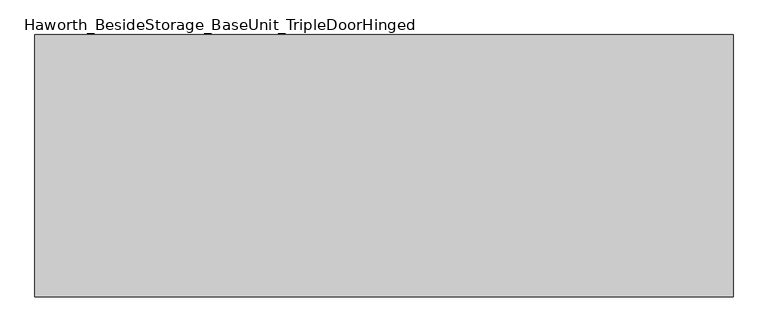
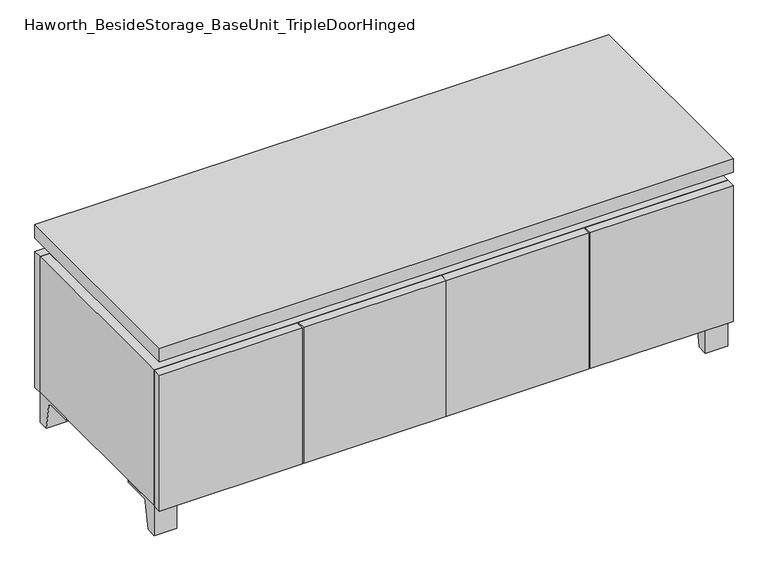
"""IFC4 building model written with IfcOpenShell, lengths in millimetres: furniture geometry, Haworth_BesideStorage_BaseUnit_TripleDoorHinged."""

from ifc_helpers import new_model, si_unit, point, frame, frame_2d, origin, place, context, project, spatial, polyline, circle_curve, trimmed, segment, composite_curve, outline, extrude, faceted_brep, source, transform, mapped, element, save


def haworth_besidestorage_baseunit_tripledoorhinged_5e8d4795(model_context):
    return source(origin(), model_context, "Body", "SolidModel", [
        extrude(outline(composite_curve([segment(polyline([(38.6291531, 0.0), (15.875, 0.0), (15.875, 66.675), (111.125, 66.675), (111.125, 61.8963321), (54.3244655, 61.8963321)]), True, "CONTINUOUS"), segment(trimmed(circle_curve(frame_2d((54.3244655, 55.5463321)), 6.35), [point((54.3244655, 61.8963321))], [point((48.0608641, 56.5902656))], True, "CARTESIAN"), True, "CONTINUOUS"), segment(polyline([(48.0608641, 56.5902656), (38.6291531, 0.0)]), True, "CONTINUOUS")], self_intersect=False)), frame((-23.7986094, 0.0, 0.0), z_axis=(1.0, 0.0, 0.0), x_axis=(0.0, 1.0, 0.0)), (0.0, 0.0, 1.0), 47.625),
        extrude(outline(composite_curve([segment(polyline([(-129.6458469, 0.0), (-152.4, 0.0), (-152.4, 66.675), (-57.15, 66.675), (-57.15, 61.8963321), (-113.9505345, 61.8963321)]), True, "CONTINUOUS"), segment(trimmed(circle_curve(frame_2d((-113.9505345, 55.5463321)), 6.35), [point((-113.9505345, 61.8963321))], [point((-120.2141359, 56.5902656))], True, "CARTESIAN"), True, "CONTINUOUS"), segment(polyline([(-120.2141359, 56.5902656), (-129.6458469, 0.0)]), True, "CONTINUOUS")], self_intersect=False)), frame((560.4013906, 0.0, 0.0), z_axis=(1.0, 0.0, 0.0), x_axis=(0.0, 1.0, 0.0)), (0.0, 0.0, 1.0), 47.625),
        extrude(outline(composite_curve([segment(polyline([(243.9458469, 0.0), (234.5141359, 56.5902656)]), True, "CONTINUOUS"), segment(trimmed(circle_curve(frame_2d((228.2505345, 55.5463321)), 6.35), [point((234.5141359, 56.5902656))], [point((228.2505345, 61.8963321))], True, "CARTESIAN"), True, "CONTINUOUS"), segment(polyline([(228.2505345, 61.8963321), (171.45, 61.8963321), (171.45, 66.675), (266.7, 66.675), (266.7, 0.0), (243.9458469, 0.0)]), True, "CONTINUOUS")], self_intersect=False)), frame((560.4013906, 0.0, 0.0), z_axis=(1.0, 0.0, 0.0), x_axis=(0.0, 1.0, 0.0)), (0.0, 0.0, 1.0), 47.625),
        extrude(outline(composite_curve([segment(polyline([(-129.6458469, 0.0), (-152.4, 0.0), (-152.4, 66.675), (-57.15, 66.675), (-57.15, 61.8963321), (-113.9505345, 61.8963321)]), True, "CONTINUOUS"), segment(trimmed(circle_curve(frame_2d((-113.9505345, 55.5463321)), 6.35), [point((-113.9505345, 61.8963321))], [point((-120.2141359, 56.5902656))], True, "CARTESIAN"), True, "CONTINUOUS"), segment(polyline([(-120.2141359, 56.5902656), (-129.6458469, 0.0)]), True, "CONTINUOUS")], self_intersect=False)), frame((-607.9986094, 0.0, 0.0), z_axis=(1.0, 0.0, 0.0), x_axis=(0.0, 1.0, 0.0)), (0.0, 0.0, 1.0), 47.625),
        extrude(outline(composite_curve([segment(polyline([(243.9458469, 0.0), (234.5141359, 56.5902656)]), True, "CONTINUOUS"), segment(trimmed(circle_curve(frame_2d((228.2505345, 55.5463321)), 6.35), [point((234.5141359, 56.5902656))], [point((228.2505345, 61.8963321))], True, "CARTESIAN"), True, "CONTINUOUS"), segment(polyline([(228.2505345, 61.8963321), (171.45, 61.8963321), (171.45, 66.675), (266.7, 66.675), (266.7, 0.0), (243.9458469, 0.0)]), True, "CONTINUOUS")], self_intersect=False)), frame((-607.9986094, 0.0, 0.0), z_axis=(1.0, 0.0, 0.0), x_axis=(0.0, 1.0, 0.0)), (0.0, 0.0, 1.0), 47.625),
        faceted_brep([(-607.9986094, -152.4, 66.675), (608.0125, -152.4, 66.675), (608.0125, -152.4, 371.475), (-607.9986094, -152.4, 371.475), (-588.9486094, -152.4, 85.725), (-588.9486094, -152.4, 352.425), (588.9694453, -152.4, 352.425), (588.9486094, -152.4, 85.725), (-607.9986094, 266.7, 66.675), (-607.9986094, 266.7, 371.475), (-588.9486094, 266.7, 371.475), (-588.9486094, 266.7, 85.725), (588.9486094, 266.7, 85.725), (588.9486094, 266.7, 371.475), (608.0125, 266.7, 371.475), (608.0125, 266.7, 66.675), (588.9486094, 241.3, 371.475), (-588.9416641, 241.3, 371.475), (-588.9486094, 241.3, 352.425), (588.9486094, 241.3, 352.425)], [[[0, 1, 2, 3], [4, 5, 6, 7]], [[8, 9, 10, 11, 12, 13, 14, 15]], [[1, 0, 8, 15]], [[2, 1, 15, 14]], [[3, 2, 14, 13, 16, 17, 10, 9]], [[0, 3, 9, 8]], [[11, 10, 17, 18, 5, 4]], [[13, 12, 7, 6, 19, 16]], [[4, 7, 12, 11]], [[6, 5, 18, 19]], [[17, 16, 19, 18]]]),
        extrude(outline(polyline([(608.0263906, -171.45), (-607.9986094, -171.45), (-607.9986094, 285.75), (608.0263906, 285.75), (608.0263906, -171.45)])), frame((0.0, 0.0, 401.6375), z_axis=(0.0, 0.0, 1.0), x_axis=(1.0, 0.0, 0.0)), (0.0, 0.0, 1.0), 30.1625),
        faceted_brep([(7.9513906, -76.2, 401.6375), (7.9513906, -76.2, 371.475), (7.9513906, 47.625, 371.475), (7.9513906, 47.625, 401.6375), (7.9513906, 190.5, 371.475), (7.9513906, 190.5, 401.6375), (7.9513906, 66.675, 401.6375), (7.9513906, 66.675, 371.475), (-7.9236094, 190.5, 401.6375), (-7.9236094, 190.5, 371.475), (-7.9236094, 66.675, 371.475), (-7.9236094, 66.675, 401.6375), (-7.9236094, -76.2, 371.475), (-7.9236094, -76.2, 401.6375), (-7.9236094, 47.625, 401.6375), (-7.9236094, 47.625, 371.475), (-566.6958281, 66.675, 401.6375), (-566.7166641, 241.3, 401.6375), (-582.5916641, 241.3, 401.6375), (-582.5916641, -127.0, 401.6375), (-566.7166641, -127.0, 401.6375), (-566.7166641, 47.625, 401.6375), (566.7236094, 47.625, 401.6375), (566.7236094, -127.0, 401.6375), (582.5986094, -127.0, 401.6375), (582.5986094, 241.3, 401.6375), (566.7236094, 241.3, 401.6375), (566.7236094, 66.675, 401.6375), (-566.6958281, 47.625, 371.475), (-566.7166641, -127.0, 371.475), (-582.5916641, -127.0, 371.475), (-582.5916641, 241.3, 371.475), (-566.7166641, 241.3, 371.475), (-566.7166641, 66.675, 371.475), (566.7236094, 66.675, 371.475), (566.7236094, 241.3, 371.475), (582.5986094, 241.3, 371.475), (582.5986094, -127.0, 371.475), (566.7236094, -127.0, 371.475), (566.7236094, 47.625, 371.475)], [[[0, 1, 2, 3]], [[4, 5, 6, 7]], [[8, 9, 10, 11]], [[12, 13, 14, 15]], [[5, 8, 11, 16, 17, 18, 19, 20, 21, 14, 13, 0, 3, 22, 23, 24, 25, 26, 27, 6]], [[1, 12, 15, 28, 29, 30, 31, 32, 33, 10, 9, 4, 7, 34, 35, 36, 37, 38, 39, 2]], [[5, 4, 9, 8]], [[1, 0, 13, 12]], [[6, 27, 34, 7]], [[22, 3, 2, 39]], [[20, 29, 28, 21]], [[32, 17, 16, 33]], [[18, 31, 30, 19]], [[29, 20, 19, 30]], [[17, 32, 31, 18]], [[26, 35, 34, 27]], [[38, 23, 22, 39]], [[25, 24, 37, 36]], [[23, 38, 37, 24]], [[35, 26, 25, 36]], [[16, 11, 10, 33]], [[14, 21, 28, 15]]]),
        extrude(outline(polyline([(608.0263906, 266.7), (-607.9986094, 266.7), (-607.9986094, 285.75), (608.0263906, 285.75), (608.0263906, 266.7)])), frame((0.0, 0.0, 66.675), z_axis=(0.0, 0.0, 1.0), x_axis=(1.0, 0.0, 0.0)), (0.0, 0.0, 1.0), 304.8),
        extrude(outline(polyline([(-588.9416641, 196.85), (-588.9416641, 203.2), (588.9694453, 203.2), (588.9694453, 196.85), (-588.9416641, 196.85)])), frame((0.0, 0.0, 85.725), z_axis=(0.0, 0.0, 1.0), x_axis=(1.0, 0.0, 0.0)), (0.0, 0.0, 1.0), 266.7),
        extrude(outline(polyline([(305.6076406, -171.45), (305.6076406, -152.4), (608.0263906, -152.4), (608.0263906, -171.45), (305.6076406, -171.45)])), frame((0.0, 0.0, 66.675), z_axis=(0.0, 0.0, 1.0), x_axis=(1.0, 0.0, 0.0)), (0.0, 0.0, 1.0), 304.8),
        extrude(outline(polyline([(-305.5798594, -171.45), (-607.9986094, -171.45), (-607.9986094, -152.4), (-305.5798594, -152.4), (-305.5798594, -171.45)])), frame((0.0, 0.0, 66.675), z_axis=(0.0, 0.0, 1.0), x_axis=(1.0, 0.0, 0.0)), (0.0, 0.0, 1.0), 304.8),
        extrude(outline(polyline([(0.0138906, -171.45), (0.0138906, -152.4), (302.4326406, -152.4), (302.4326406, -171.45), (0.0138906, -171.45)])), frame((0.0, 0.0, 66.675), z_axis=(0.0, 0.0, 1.0), x_axis=(1.0, 0.0, 0.0)), (0.0, 0.0, 1.0), 304.8),
        extrude(outline(polyline([(0.0138906, -171.45), (-302.4048594, -171.45), (-302.4048594, -152.4), (0.0138906, -152.4), (0.0138906, -171.45)])), frame((0.0, 0.0, 66.675), z_axis=(0.0, 0.0, 1.0), x_axis=(1.0, 0.0, 0.0)), (0.0, 0.0, 1.0), 304.8),
        extrude(outline(polyline([(294.4951406, 196.85), (313.5451406, 196.85), (313.5451406, -152.4), (294.4951406, -152.4), (294.4951406, 196.85)])), frame((0.0, 0.0, 85.725), z_axis=(0.0, 0.0, 1.0), x_axis=(1.0, 0.0, 0.0)), (0.0, 0.0, 1.0), 266.7),
        extrude(outline(polyline([(-313.5173594, 196.85), (-294.4673594, 196.85), (-294.4673594, -152.4), (-313.5173594, -152.4), (-313.5173594, 196.85)])), frame((0.0, 0.0, 85.725), z_axis=(0.0, 0.0, 1.0), x_axis=(1.0, 0.0, 0.0)), (0.0, 0.0, 1.0), 266.7),
    ])


if __name__ == "__main__":
    model = new_model("IFC4")
    model_context = context("Model", 3, world=origin())
    ifc_project = project(units=[si_unit("LENGTHUNIT", "METRE", prefix="MILLI")], contexts=[model_context])
    site = spatial("IfcSite", under=ifc_project)
    building = spatial("IfcBuilding", under=site)
    placement = place(None, origin())
    haworth_besidestorage_baseunit_tripledoorhinged_shape = haworth_besidestorage_baseunit_tripledoorhinged_5e8d4795(model_context)
    element("IfcFurniture", 1, ObjectType="Haworth_BesideStorage_BaseUnit_TripleDoorHinged", at=placement, inside=building, context=model_context, shape_type="MappedRepresentation", body=[
        mapped(haworth_besidestorage_baseunit_tripledoorhinged_shape, transform((0.0, 0.0, 0.0), x_axis=(1.0, 0.0, 0.0), y_axis=(0.0, 1.0, 0.0), z_axis=(0.0, 0.0, 1.0))),
    ])
    save(model, "model.ifc")
